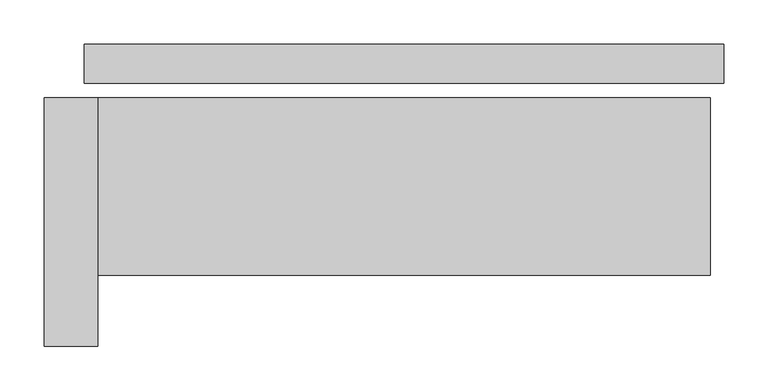
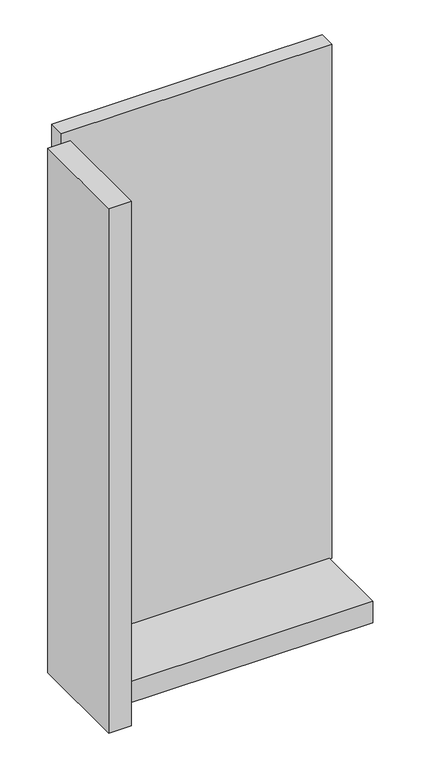
"""IFC4 building model written with IfcOpenShell, lengths in millimetres: plate geometry."""

from ifc_helpers import new_model, si_unit, frame, origin, origin_with_axes, place, context, project, spatial, polyline, outline, extrude, source, transform, mapped, element, save


def plate_d3c28b64(model_context):
    return source(origin(), model_context, "Body", "SweptSolid", [
        extrude(outline(polyline([(360.0, 0.0), (360.0, -44.0), (-360.0, -44.0), (-360.0, 0.0), (360.0, 0.0)])), origin_with_axes(), (0.0, 0.0, 1.0), 1447.534293),
        extrude(outline(polyline([(-345.0, -60.0), (-345.0, -340.0), (-405.0, -340.0), (-405.0, -60.0), (-345.0, -60.0)])), frame((0.0, 0.0, -45.0), z_axis=(0.0, 0.0, 1.0), x_axis=(1.0, 0.0, 0.0)), (0.0, 0.0, 1.0), 1477.534293),
        extrude(outline(polyline([(345.0, -260.0), (-345.0, -260.0), (-345.0, -60.0), (345.0, -60.0), (345.0, -260.0)])), frame((0.0, 0.0, -45.0), z_axis=(0.0, 0.0, 1.0), x_axis=(1.0, 0.0, 0.0)), (0.0, 0.0, 1.0), 60.0),
    ])


if __name__ == "__main__":
    model = new_model("IFC4")
    model_context = context("Model", 3, world=origin())
    ifc_project = project(units=[si_unit("LENGTHUNIT", "METRE", prefix="MILLI")], contexts=[model_context])
    site = spatial("IfcSite", under=ifc_project)
    building = spatial("IfcBuilding", under=site)
    placement = place(None, origin())
    plate_shape = plate_d3c28b64(model_context)
    element("IfcPlate", 1, at=placement, inside=building, context=model_context, shape_type="MappedRepresentation", body=[
        mapped(plate_shape, transform((0.0, 0.0, 0.0), x_axis=(1.0, 0.0, 0.0), y_axis=(0.0, 1.0, 0.0), z_axis=(0.0, 0.0, 1.0))),
    ])
    save(model, "model.ifc")
